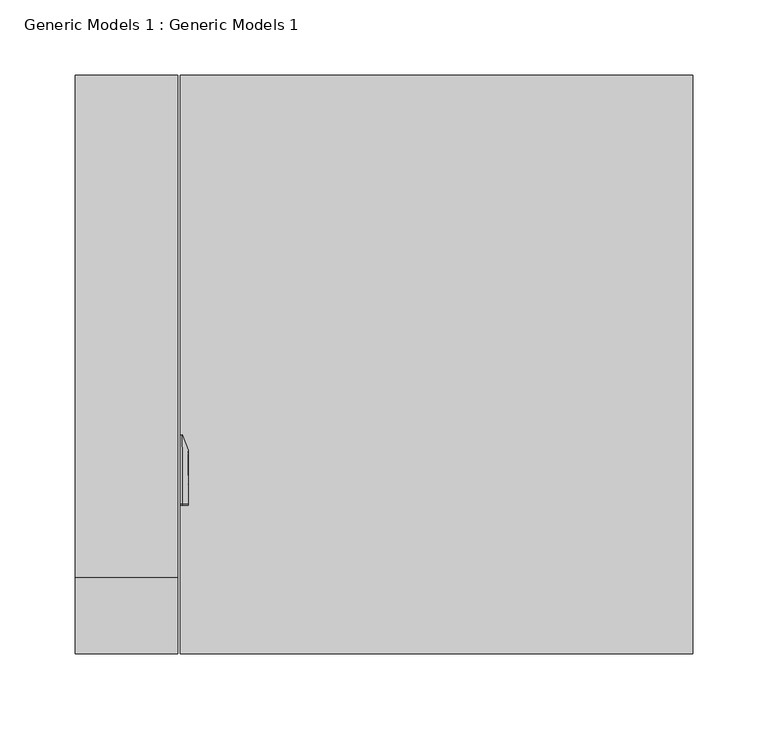
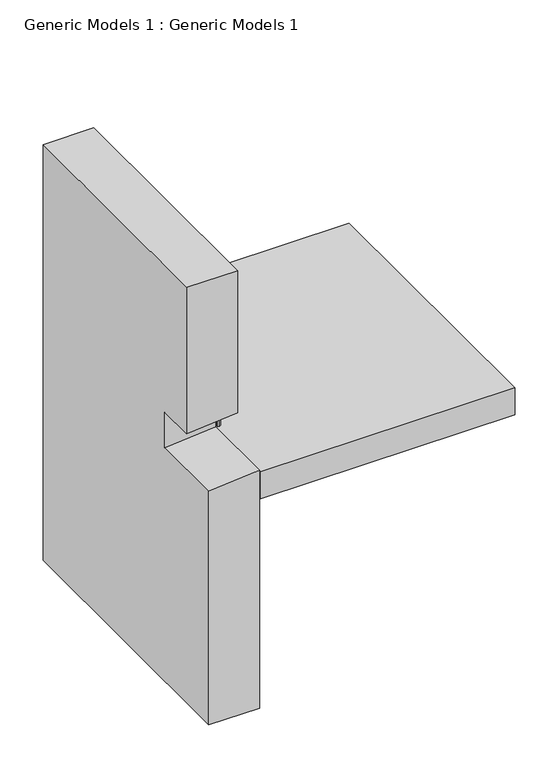
"""IFC4 building model written with IfcOpenShell, lengths in millimetres: proxy geometry, Generic Models 1 : Generic Models 1."""

from ifc_helpers import new_model, si_unit, point, frame, origin, place, context, project, spatial, polyline, circle_curve, ellipse_curve, trimmed, outline, extrude, faceted_brep, source, transform, mapped, element, save
from ifc_brep_helpers import plane_surface, cylinder_surface, revolved_surface, advanced_brep


def generic_models_1_generic_models_1_ab2b87ea(model_context):
    return source(origin(), model_context, "Body", "SolidModel", [
        advanced_brep(
        [(46.9749755, 110.6696992, 369.4748414), (48.41875, 112.2506797, 369.4748414), (48.41875, 143.2987298, 369.4748414), (44.5098791, 154.0382642, 369.4748414), (46.0016412, 154.5812212, 369.4748414), (49.8147741, 144.1047246, 369.4748414), (50.00625, 143.0188107, 369.4748414), (50.00625, 112.2506797, 369.4748414), (47.118701, 109.0887188, 369.4748414), (44.45, 108.8461096, 369.4748414), (44.45, 110.440156, 369.4748414), (46.9749755, 110.6696992, 417.4974733), (48.41875, 112.2506797, 417.4974733), (48.41875, 108.4598112, 421.2883418), (48.41875, 107.6587794, 421.2883418), (48.41875, 107.6587794, 452.3363919), (48.41875, 108.4598112, 452.3363919), (48.41875, 143.2987298, 417.4974733), (44.5098791, 154.0382642, 417.4974733), (46.0016412, 154.5812212, 417.4974733), (49.8147741, 144.1047246, 417.4974733), (50.00625, 143.0188107, 417.4974733), (50.00625, 108.4598112, 452.0564728), (50.00625, 107.6587794, 452.0564728), (50.00625, 107.6587794, 421.2883418), (50.00625, 108.4598112, 421.2883418), (50.00625, 112.2506797, 417.4974733), (47.118701, 109.0887188, 417.4974733), (44.45, 108.8461096, 417.4974733), (44.45, 108.4598112, 417.8837717), (44.45, 107.6587794, 417.8837717), (44.45, 107.6587794, 419.4778182), (44.45, 108.4598112, 419.4778182), (44.45, 110.440156, 417.4974733), (46.9749755, 108.4598112, 419.7073614), (44.5098791, 108.4598112, 463.0759264), (46.0016412, 108.4598112, 463.6188833), (49.8147741, 108.4598112, 453.1423868), (47.118701, 108.4598112, 418.1263809), (46.9749755, 107.6587794, 419.7073614), (47.118701, 107.6587794, 418.1263809), (49.8147741, 107.6587794, 453.1423868), (46.0016412, 107.6587794, 463.6188833), (44.5098791, 107.6587794, 463.0759264)],
        [
            (0, 1, circle_curve(frame((46.83125, 112.2506797, 369.4748414), z_axis=(0.0, 0.0, 1.0), x_axis=(1.0, 0.0, 0.0)), 1.5875)),
            (1, 2),
            (2, 3),
            (3, 4),
            (4, 5),
            (5, 6, circle_curve(frame((46.83125, 143.0188107, 369.4748414), z_axis=(0.0, 0.0, -1.0), x_axis=(1.0, 0.0, 0.0)), 3.175)),
            (6, 7),
            (7, 8, circle_curve(frame((46.83125, 112.2506797, 369.4748414), z_axis=(0.0, 0.0, -1.0), x_axis=(1.0, 0.0, 0.0)), 3.175)),
            (8, 9),
            (9, 10),
            (10, 0),
            (0, 11),
            (11, 12, circle_curve(frame((46.83125, 112.2506797, 417.4974733), z_axis=(0.0, 0.0, 1.0), x_axis=(1.0, 0.0, 0.0)), 1.5875)),
            (12, 1),
            (12, 13, circle_curve(frame((48.41875, 108.4598112, 417.4974733), z_axis=(1.0, 0.0, 0.0), x_axis=(0.0, 1.0, 0.0)), 3.7908685)),
            (13, 14),
            (14, 15),
            (15, 16),
            (16, 17, circle_curve(frame((48.41875, 108.4598112, 417.4974733), z_axis=(-1.0, 0.0, 0.0), x_axis=(0.0, 1.0, 0.0)), 34.8389186)),
            (17, 2),
            (17, 18),
            (18, 3),
            (18, 19),
            (19, 4),
            (19, 20),
            (20, 5),
            (20, 21, circle_curve(frame((46.83125, 143.0188107, 417.4974733), z_axis=(0.0, 0.0, -1.0), x_axis=(1.0, 0.0, 0.0)), 3.175)),
            (21, 6),
            (21, 22, circle_curve(frame((50.00625, 108.4598112, 417.4974733), z_axis=(1.0, 0.0, 0.0), x_axis=(0.0, 1.0, 0.0)), 34.5589995)),
            (22, 23),
            (23, 24),
            (24, 25),
            (25, 26, circle_curve(frame((50.00625, 108.4598112, 417.4974733), z_axis=(-1.0, 0.0, 0.0), x_axis=(0.0, 1.0, 0.0)), 3.7908685)),
            (26, 7),
            (26, 27, circle_curve(frame((46.83125, 112.2506797, 417.4974733), z_axis=(0.0, 0.0, -1.0), x_axis=(1.0, 0.0, 0.0)), 3.175)),
            (27, 8),
            (27, 28),
            (28, 9),
            (28, 29, circle_curve(frame((44.45, 108.4598112, 417.4974733), z_axis=(1.0, 0.0, 0.0), x_axis=(0.0, 1.0, 0.0)), 0.3862984)),
            (29, 30),
            (30, 31),
            (31, 32),
            (32, 33, circle_curve(frame((44.45, 108.4598112, 417.4974733), z_axis=(-1.0, 0.0, 0.0), x_axis=(0.0, 1.0, 0.0)), 1.9803448)),
            (33, 10),
            (33, 11),
            (11, 34, circle_curve(frame((46.9749755, 108.4598112, 417.4974733), z_axis=(1.0, 0.0, 0.0), x_axis=(0.0, 1.0, 0.0)), 2.2098881)),
            (34, 13, circle_curve(frame((46.83125, 108.4598112, 421.2883418), z_axis=(0.0, -1.0, 0.0), x_axis=(1.0, 0.0, 0.0)), 1.5875)),
            (35, 18, circle_curve(frame((44.5098791, 108.4598112, 417.4974733), z_axis=(-1.0, 0.0, 0.0), x_axis=(0.0, 1.0, 0.0)), 45.578453)),
            (16, 35),
            (36, 19, circle_curve(frame((46.0016412, 108.4598112, 417.4974733), z_axis=(-1.0, 0.0, 0.0), x_axis=(0.0, 1.0, 0.0)), 46.12141)),
            (35, 36),
            (37, 20, circle_curve(frame((49.8147741, 108.4598112, 417.4974733), z_axis=(-1.0, 0.0, 0.0), x_axis=(0.0, 1.0, 0.0)), 35.6449135)),
            (36, 37),
            (37, 22, circle_curve(frame((46.83125, 108.4598112, 452.0564728), z_axis=(0.0, 1.0, 0.0), x_axis=(1.0, 0.0, 0.0)), 3.175)),
            (38, 27, circle_curve(frame((47.118701, 108.4598112, 417.4974733), z_axis=(-1.0, 0.0, 0.0), x_axis=(0.0, 1.0, 0.0)), 0.6289076)),
            (25, 38, circle_curve(frame((46.83125, 108.4598112, 421.2883418), z_axis=(0.0, 1.0, 0.0), x_axis=(1.0, 0.0, 0.0)), 3.175)),
            (38, 29),
            (32, 34),
            (39, 31),
            (30, 40),
            (40, 24, circle_curve(frame((46.83125, 107.6587794, 421.2883418), z_axis=(0.0, -1.0, 0.0), x_axis=(1.0, 0.0, 0.0)), 3.175)),
            (23, 41, circle_curve(frame((46.83125, 107.6587794, 452.0564728), z_axis=(0.0, -1.0, 0.0), x_axis=(1.0, 0.0, 0.0)), 3.175)),
            (41, 42),
            (42, 43),
            (43, 15),
            (14, 39, circle_curve(frame((46.83125, 107.6587794, 421.2883418), z_axis=(0.0, 1.0, 0.0), x_axis=(1.0, 0.0, 0.0)), 1.5875)),
            (34, 39),
            (43, 35),
            (42, 36),
            (41, 37),
            (40, 38),
        ],
        [
            plane_surface(frame((44.45, 110.4441862, 369.4748414), z_axis=(0.0, 0.0, -1.0), x_axis=(1.0, 0.0, 0.0))),
            revolved_surface(polyline([(48.418749999999996, 112.2506797, 417.4974733), (48.418749999999996, 112.2506797, 369.4748414)]), (46.83125, 112.2506797, 369.4748414), (0.0, 0.0, 1.0)),
            plane_surface(frame((48.41875, 112.2506797, 369.4748414), z_axis=(-1.0, 0.0, 0.0), x_axis=(0.0, 0.0, 1.0))),
            plane_surface(frame((48.41875, 143.2987298, 369.4748414), z_axis=(-0.9396926207859074, -0.3420201433256716, 0.0), x_axis=(0.0, 0.0, 1.0))),
            plane_surface(frame((44.5098791, 154.0382642, 369.4748414), z_axis=(-0.3420201433256607, 0.9396926207859114, 0.0), x_axis=(0.0, 0.0, 1.0))),
            plane_surface(frame((46.0016412, 154.5812212, 369.4748414), z_axis=(0.939692620785906, 0.3420201433256756, 0.0), x_axis=(0.0, 0.0, 1.0))),
            cylinder_surface(frame((46.83125, 143.0188107, 369.4748414), z_axis=(0.0, 0.0, -1.0), x_axis=(1.0, 0.0, 0.0)), 3.175),
            plane_surface(frame((50.00625, 143.0188107, 369.4748414), z_axis=(1.0, 0.0, 0.0), x_axis=(0.0, 0.0, 1.0))),
            cylinder_surface(frame((46.83125, 112.2506797, 369.4748414), z_axis=(0.0, 0.0, -1.0), x_axis=(1.0, 0.0, 0.0)), 3.175),
            plane_surface(frame((47.118701, 109.0887188, 369.4748414), z_axis=(0.0905357460425202, -0.9958932064677037, 0.0), x_axis=(0.0, 0.0, 1.0))),
            plane_surface(frame((44.45, 108.8461096, 369.4748414), z_axis=(-1.0, 0.0, 0.0), x_axis=(0.0, 0.0, 1.0))),
            plane_surface(frame((44.45, 110.440156, 369.4748414), z_axis=(-0.09053574604252104, 0.9958932064677036, 0.0), x_axis=(0.0, 0.0, 1.0))),
            revolved_surface(trimmed(ellipse_curve(frame((46.83125, 112.2506797, 417.4974733), z_axis=(0.0, 0.0, 1.0), x_axis=(1.0, 0.0, 0.0)), 1.5875, 1.5875), [point((46.9749755, 110.6696992, 417.4974733))], [point((48.41875, 112.2506797, 417.4974733))], True, "CARTESIAN"), (44.45, 108.4598112, 417.4974733), (1.0, 0.0, 0.0)),
            revolved_surface(polyline([(48.41875, 143.2987298, 417.4974733), (44.5098791, 154.0382642, 417.4974733)]), (44.45, 108.4598112, 417.4974733), (1.0, 0.0, 0.0)),
            revolved_surface(polyline([(44.5098791, 154.0382642, 417.4974733), (46.0016412, 154.5812212, 417.4974733)]), (44.45, 108.4598112, 417.4974733), (1.0, 0.0, 0.0)),
            revolved_surface(polyline([(46.0016412, 154.5812212, 417.4974733), (49.8147741, 144.1047246, 417.4974733)]), (44.45, 108.4598112, 417.4974733), (1.0, 0.0, 0.0)),
            revolved_surface(trimmed(ellipse_curve(frame((46.83125, 143.0188107, 417.4974733), z_axis=(0.0, 0.0, -1.0), x_axis=(1.0, 0.0, 0.0)), 3.175, 3.175), [point((49.8147741, 144.1047246, 417.4974733))], [point((50.00625, 143.0188107, 417.4974733))], True, "CARTESIAN"), (44.45, 108.4598112, 417.4974733), (1.0, 0.0, 0.0)),
            revolved_surface(trimmed(ellipse_curve(frame((46.83125, 112.2506797, 417.4974733), z_axis=(0.0, 0.0, -1.0), x_axis=(1.0, 0.0, 0.0)), 3.175, 3.175), [point((50.00625, 112.2506797, 417.4974733))], [point((47.118701, 109.0887188, 417.4974733))], True, "CARTESIAN"), (44.45, 108.4598112, 417.4974733), (1.0, 0.0, 0.0)),
            revolved_surface(polyline([(47.118701, 109.0887188, 417.4974733), (44.45, 108.8461096, 417.4974733)]), (44.45, 108.4598112, 417.4974733), (1.0, 0.0, 0.0)),
            revolved_surface(polyline([(44.45, 110.440156, 417.4974733), (46.9749755, 110.6696992, 417.4974733)]), (44.45, 108.4598112, 417.4974733), (1.0, 0.0, 0.0)),
            plane_surface(frame((44.45, 107.6587794, 419.4818483), z_axis=(0.0, -1.0, 0.0), x_axis=(1.0, 0.0, 0.0))),
            revolved_surface(polyline([(48.418749999999996, 107.6587794, 421.2883418), (48.418749999999996, 108.4598112, 421.2883418)]), (46.83125, 108.4598112, 421.2883418), (0.0, -1.0, 0.0)),
            plane_surface(frame((48.41875, 108.4598112, 452.3363919), z_axis=(-0.9396926207859091, 0.0, -0.3420201433256669), x_axis=(0.0, -1.0, 0.0))),
            plane_surface(frame((44.5098791, 108.4598112, 463.0759264), z_axis=(-0.342020143325656, 0.0, 0.9396926207859131), x_axis=(0.0, -1.0, 0.0))),
            plane_surface(frame((46.0016412, 108.4598112, 463.6188833), z_axis=(0.9396926207859077, 0.0, 0.3420201433256709), x_axis=(0.0, -1.0, 0.0))),
            cylinder_surface(frame((46.83125, 108.4598112, 452.0564728), z_axis=(0.0, 1.0, 0.0), x_axis=(1.0, 0.0, 0.0)), 3.175),
            cylinder_surface(frame((46.83125, 108.4598112, 421.2883418), z_axis=(0.0, 1.0, 0.0), x_axis=(1.0, 0.0, 0.0)), 3.175),
            plane_surface(frame((47.118701, 108.4598112, 418.1263809), z_axis=(0.09053574604251521, 0.0, -0.9958932064677042), x_axis=(0.0, -1.0, 0.0))),
            plane_surface(frame((44.45, 108.4598112, 419.4778182), z_axis=(-0.09053574604251606, 0.0, 0.9958932064677041), x_axis=(0.0, -1.0, 0.0))),
        ],
        [
            (0, [[1, 2, 3, 4, 5, 6, 7, 8, 9, 10, 11]]),
            (1, [[-1, 12, 13, 14]]),
            (2, [[-2, -14, 15, 16, 17, 18, 19, 20]]),
            (3, [[-3, -20, 21, 22]]),
            (4, [[-4, -22, 23, 24]]),
            (5, [[-5, -24, 25, 26]]),
            (6, [[-6, -26, 27, 28]]),
            (7, [[-7, -28, 29, 30, 31, 32, 33, 34]]),
            (8, [[-8, -34, 35, 36]]),
            (9, [[-9, -36, 37, 38]]),
            (10, [[-10, -38, 39, 40, 41, 42, 43, 44]]),
            (11, [[-11, -44, 45, -12]]),
            (12, [[-15, -13, 46, 47]]),
            (13, [[48, -21, -19, 49]]),
            (14, [[50, -23, -48, 51]]),
            (15, [[52, -25, -50, 53]]),
            (16, [[-29, -27, -52, 54]]),
            (17, [[55, -35, -33, 56]]),
            (18, [[-39, -37, -55, 57]]),
            (19, [[-46, -45, -43, 58]]),
            (20, [[59, -41, 60, 61, -31, 62, 63, 64, 65, -17, 66]]),
            (21, [[-47, 67, -66, -16]]),
            (22, [[-49, -18, -65, 68]]),
            (23, [[-51, -68, -64, 69]]),
            (24, [[-53, -69, -63, 70]]),
            (25, [[-54, -70, -62, -30]]),
            (26, [[-56, -32, -61, 71]]),
            (27, [[-57, -71, -60, -40]]),
            (28, [[-58, -42, -59, -67]]),
        ],
    ),
        faceted_brep([(42.8625, 393.8469389, 31.75), (-25.4, 393.8469389, 31.75), (-25.4, 393.8469389, 621.7129392), (42.8625, 393.8469389, 621.7129392), (-25.4, 8.8441862, 31.75), (42.8625, 8.8441862, 31.75), (42.8625, 8.8441862, 369.3305232), (-25.4, 8.8441862, 363.1248414), (42.8625, 59.6441862, 621.7129392), (42.8625, 59.6441862, 420.1305232), (42.8625, 110.4441862, 420.1305232), (42.8625, 110.4441862, 369.3305232), (-25.4, 59.6441862, 621.7129392), (-25.4, 110.4441862, 363.1248414), (-25.4, 110.4441862, 365.515911), (-25.4, 110.4441862, 411.5337717), (-25.4, 110.4441862, 413.9248414), (-25.4, 59.6441862, 413.9248414)], [[[0, 1, 2, 3]], [[4, 5, 6, 7]], [[0, 3, 8, 9, 10, 11, 6, 5]], [[3, 2, 12, 8]], [[1, 0, 5, 4]], [[2, 1, 4, 7, 13, 14, 15, 16, 17, 12]], [[13, 11, 10, 16, 15, 14]], [[11, 13, 7, 6]], [[16, 10, 9, 17]], [[9, 8, 12, 17]]]),
        extrude(outline(polyline([(44.45, 393.8469389), (385.7625, 393.8469389), (385.7625, 8.8441862), (44.45, 8.8441862), (44.45, 393.8469389)])), frame((0.0, 0.0, 328.1998414), z_axis=(0.0, 0.0, 1.0), x_axis=(1.0, 0.0, 0.0)), (0.0, 0.0, 1.0), 38.1),
    ])


if __name__ == "__main__":
    model = new_model("IFC4")
    model_context = context("Model", 3, world=origin())
    ifc_project = project(units=[si_unit("LENGTHUNIT", "METRE", prefix="MILLI")], contexts=[model_context])
    site = spatial("IfcSite", under=ifc_project)
    building = spatial("IfcBuilding", under=site)
    placement = place(None, origin())
    generic_models_1_generic_models_1_shape = generic_models_1_generic_models_1_ab2b87ea(model_context)
    element("IfcBuildingElementProxy", 1, Name="Generic Models 1 : Generic Models 1", ObjectType="Generic Models 1 : Generic Models 1", at=placement, inside=building, context=model_context, shape_type="MappedRepresentation", body=[
        mapped(generic_models_1_generic_models_1_shape, transform((0.0, 0.0, 0.0), x_axis=(1.0, 0.0, 0.0), y_axis=(0.0, 1.0, 0.0), z_axis=(0.0, 0.0, 1.0))),
    ])
    save(model, "model.ifc")
